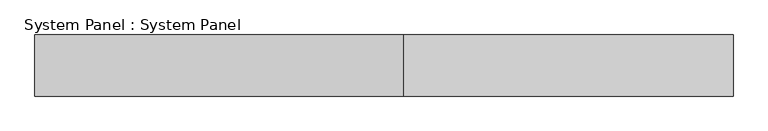
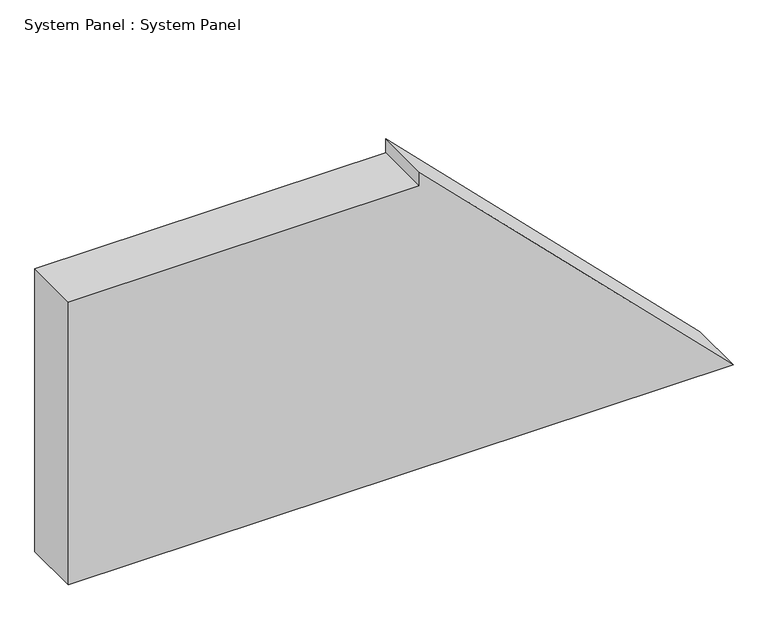
"""IFC4 building model written with IfcOpenShell, lengths in millimetres: plate geometry, System Panel : System Panel."""

from ifc_helpers import new_model, si_unit, frame, origin, place, context, project, spatial, polyline, outline, extrude, source, transform, mapped, element, save


def system_panel_system_panel_e042ac16(model_context):
    return source(origin(), model_context, "Body", "SweptSolid", [
        extrude(outline(polyline([(0.0, 571.375), (539.25, 32.125), (514.25, 32.125), (514.25, -571.375), (0.0, -571.375), (0.0, 571.375)])), frame((0.0, -50.0, 0.0), z_axis=(0.0, 1.0, 0.0), x_axis=(0.0, 0.0, 1.0)), (0.0, 0.0, 1.0), 100.0),
    ])


if __name__ == "__main__":
    model = new_model("IFC4")
    model_context = context("Model", 3, world=origin())
    ifc_project = project(units=[si_unit("LENGTHUNIT", "METRE", prefix="MILLI")], contexts=[model_context])
    site = spatial("IfcSite", under=ifc_project)
    building = spatial("IfcBuilding", under=site)
    placement = place(None, origin())
    system_panel_system_panel_shape = system_panel_system_panel_e042ac16(model_context)
    element("IfcPlate", 1, ObjectType="System Panel : System Panel", at=placement, inside=building, context=model_context, shape_type="MappedRepresentation", body=[
        mapped(system_panel_system_panel_shape, transform((0.0, 0.0, 0.0), x_axis=(1.0, 0.0, 0.0), y_axis=(0.0, 1.0, 0.0), z_axis=(0.0, 0.0, 1.0))),
    ])
    save(model, "model.ifc")
